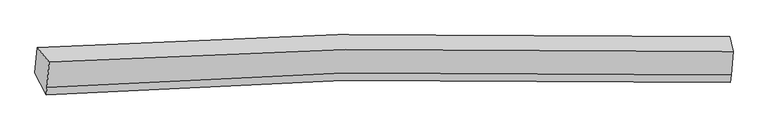
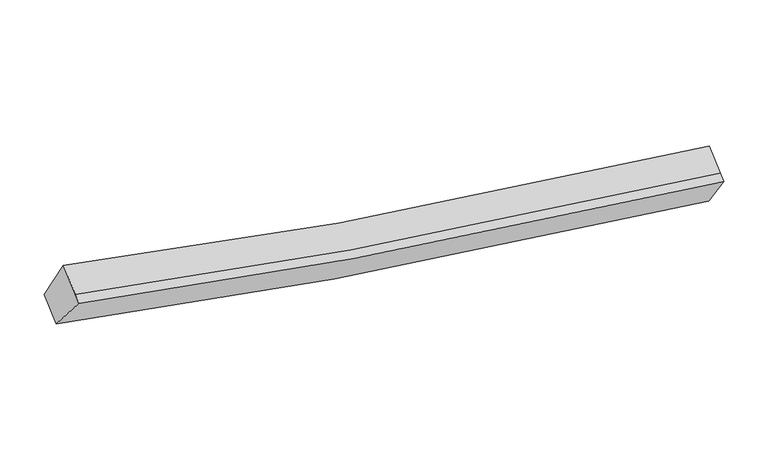
"""IFC4 building model written with IfcOpenShell, lengths in millimetres: proxy geometry."""

from ifc_helpers import new_model, si_unit, frame, origin, place, context, project, spatial, source, transform, mapped, element, save
from ifc_brep_helpers import plane_surface, spline_curve, spline_surface, advanced_brep


def generic_models_4c149153(model_context):
    return source(origin(), model_context, "Body", "AdvancedBrep", [
        advanced_brep(
        [(-5159.9195676, -1823.9417228, 3948.6899648), (-4959.3638535, -2068.8529694, 4567.2876846), (6501.0855568, -1892.4394116, 2670.6912339), (6445.0847602, -1642.5363957, 2024.7193726), (-4996.5395394, -2494.7005711, 4293.318867), (6466.8386618, -2284.7377037, 2418.3063458), (-5007.5225054, -2620.5104817, 4212.379131), (6455.8556958, -2410.5476143, 2337.3666099), (-5197.6031202, -2255.6069387, 3670.9783883), (6410.3299986, -2040.6523021, 1768.5917256)],
        [
            (0, 1),
            (1, 2, spline_curve(3, [(-4959.3638535, -2068.8529694, 4567.2876846), (-3313.756658287, -1965.017426224, 4144.306766276), (-1656.597826447, -1895.363765423, 3785.349843717), (2156.035839903, -1814.318613368, 3111.493456527), (4319.026811955, -1825.167754469, 2838.251562038), (6501.0855568, -1892.4394116, 2670.6912339)], [4, 2, 4], [0.0, 16.812420387431146, 38.4126553002438])),
            (2, 3),
            (3, 0, spline_curve(3, [(6445.0847602, -1642.5363957, 2024.7193726), (4235.293377989, -1574.577169971, 2194.974096761), (2044.928093855, -1563.953234572, 2472.280549002), (-1815.749300975, -1647.022107435, 3155.801740804), (-3493.7187927, -1718.114485595, 3519.818819477), (-5159.9195676, -1823.9417228, 3948.6899648)], [4, 2, 4], [0.0, 21.600234912812653, 38.4126553002438])),
            (1, 4),
            (4, 5, spline_curve(3, [(-4996.5395394, -2494.7005711, 4293.318867), (-3349.528789851, -2374.78731271, 3880.681538017), (-1691.393695251, -2293.950549418, 3528.919258137), (2122.4942546, -2198.537587011, 2864.306393245), (4285.485226225, -2209.386728568, 2591.064498473), (6466.8386618, -2284.7377037, 2418.3063458)], [4, 2, 4], [0.0, 16.706391865146816, 38.17040362055424])),
            (5, 2),
            (4, 6),
            (6, 7, spline_curve(3, [(-5007.5225054, -2620.5104817, 4212.379131), (-3360.511756198, -2500.5972235, 3799.741801714), (-1702.376661148, -2419.760459616, 3447.979522261), (2111.511288467, -2324.347497899, 2783.366657315), (4274.502260241, -2335.196639084, 2510.124763), (6455.8556958, -2410.5476143, 2337.3666099)], [4, 2, 4], [0.0, 16.706315107599128, 38.17022824656566])),
            (7, 5),
            (6, 8),
            (8, 9, spline_curve(3, [(-5197.6031202, -2255.6069387, 3670.9783883), (-3529.998791274, -2133.701986103, 3252.450831811), (-1851.05303609, -2051.426505312, 2895.628396324), (2010.878641351, -1953.989822823, 2221.350726821), (4201.243925291, -1964.613757951, 1944.044273944), (6410.3299986, -2040.6523021, 1768.5917256)], [4, 2, 4], [0.0, 16.812143158553592, 38.412021893686784])),
            (9, 7),
            (8, 0),
            (3, 9),
        ],
        [
            spline_surface(3, 3, [[(-5159.9195676, -1823.9417228, 3948.6899648), (-3493.718792538, -1718.114485319, 3519.818819247), (-1815.749300927, -1647.022107487, 3155.801740946), (2044.928093792, -1563.953234504, 2472.280548821), (4235.293378075, -1574.577169995, 2194.974096427), (6445.0847602, -1642.5363957, 2024.7193726)], [(-5093.06766289, -1905.578805005, 4154.889204738), (-3433.731414392, -1800.41546558, 3727.981468316), (-1762.698809494, -1729.802660177, 3365.65110858), (2081.964009252, -1647.40836072, 2685.351517995), (4263.20452274, -1658.107364809, 2409.399918313), (6463.751692386, -1725.837400987, 2240.043326369)], [(-5026.21575821, -1987.215887195, 4361.088444662), (-3373.744036277, -1882.716445824, 3936.14411737), (-1709.648318077, -1812.583212886, 3575.50047622), (2118.999924696, -1730.863486955, 2898.422487177), (4291.115667447, -1741.637559661, 2623.825740195), (6482.418624614, -1809.138406313, 2455.367280131)], [(-4959.3638535, -2068.8529694, 4567.2876846), (-3313.756658131, -1965.017426084, 4144.30676644), (-1656.597826644, -1895.363765576, 3785.349843854), (2156.035840156, -1814.318613171, 3111.493456351), (4319.026812111, -1825.167754475, 2838.251562082), (6501.0855568, -1892.4394116, 2670.6912339)]], [4, 4], [4, 2, 4], [0.0, 2.279805153903718], [0.0, 16.812420387431146, 38.4126553002438]),
            spline_surface(3, 3, [[(-4959.3638535, -2068.8529694, 4567.2876846), (-3313.756658131, -1965.017426084, 4144.30676644), (-1656.597826644, -1895.363765576, 3785.349843854), (2156.035840156, -1814.318613171, 3111.493456351), (4319.026812111, -1825.167754475, 2838.251562082), (6501.0855568, -1892.4394116, 2670.6912339)], [(-4971.755748813, -2210.802169945, 4475.964745394), (-3325.680702132, -2101.607388346, 4056.431690202), (-1668.19644943, -2028.226026784, 3699.872982016), (2144.855311523, -1942.391604506, 3029.097768621), (4307.846283479, -1953.24074581, 2755.855874352), (6489.66992513, -2023.205508983, 2586.562937892)], [(-4984.147644087, -2352.751370555, 4384.641806206), (-3337.604746093, -2238.197350673, 3968.556613982), (-1679.795072206, -2161.088288042, 3614.396120101), (2133.674782901, -2070.464595891, 2946.702080814), (4296.665754857, -2081.313737095, 2673.460186545), (6478.25429347, -2153.971606317, 2502.434641808)], [(-4996.5395394, -2494.7005711, 4293.318867), (-3349.528790094, -2374.787312934, 3880.681537744), (-1691.393694993, -2293.95054925, 3528.919258262), (2122.494254268, -2198.537587226, 2864.306393085), (4285.485226224, -2209.386728431, 2591.064498815), (6466.8386618, -2284.7377037, 2418.3063458)]], [4, 4], [4, 2, 4], [0.0, 1.5251956278680385], [0.0, 16.706391865146816, 38.17040362055424]),
            spline_surface(3, 3, [[(-4996.5395394, -2494.7005711, 4293.318867), (-3349.528790094, -2374.787312934, 3880.681537744), (-1691.393694993, -2293.95054925, 3528.919258262), (2122.494254268, -2198.537587226, 2864.306393085), (4285.485226224, -2209.386728431, 2591.064498815), (6466.8386618, -2284.7377037, 2418.3063458)], [(-5000.200528062, -2536.637207957, 4266.338955007), (-3353.189778756, -2416.723949791, 3853.701625751), (-1695.054683655, -2335.887186107, 3501.939346269), (2118.833265607, -2240.474224083, 2837.326481092), (4281.824237562, -2251.323365287, 2564.084586822), (6463.177673138, -2326.674340557, 2391.326433807)], [(-5003.861516738, -2578.573844843, 4239.359042993), (-3356.850767433, -2458.660586678, 3826.721713737), (-1698.715672331, -2377.823822893, 3474.959434355), (2115.17227693, -2282.410860869, 2810.346569178), (4278.163248885, -2293.260002174, 2537.104674908), (6459.516684462, -2368.610977443, 2364.346521893)], [(-5007.5225054, -2620.5104817, 4212.379131), (-3360.511756094, -2500.597223534, 3799.741801744), (-1702.376660993, -2419.76045975, 3447.979522362), (2111.511288268, -2324.347497726, 2783.366657185), (4274.502260224, -2335.196639031, 2510.124762915), (6455.8556958, -2410.5476143, 2337.3666099)]], [4, 4], [4, 2, 4], [0.0, 0.49212598425197046], [0.0, 16.706315107599128, 38.17022824656566]),
            spline_surface(3, 3, [[(-5007.5225054, -2620.5104817, 4212.379131), (-3360.511756094, -2500.597223534, 3799.741801744), (-1702.376660993, -2419.76045975, 3447.979522362), (2111.511288268, -2324.347497726, 2783.366657185), (4274.502260224, -2335.196639031, 2510.124762915), (6455.8556958, -2410.5476143, 2337.3666099)], [(-5070.882710336, -2498.875967391, 4031.912216755), (-3417.007434466, -2378.298811171, 3617.311478369), (-1751.935452652, -2296.982474957, 3263.862480422), (2077.967072582, -2200.894939407, 2596.028013704), (4250.082815333, -2211.669012114, 2321.431266722), (6440.680463388, -2287.24917691, 2147.774981825)], [(-5134.242915264, -2377.241453009, 3851.445302545), (-3473.503112829, -2256.000398733, 3434.881155027), (-1801.494244317, -2174.204490155, 3079.745438394), (2044.422856891, -2077.442381079, 2408.689370135), (4225.663370478, -2088.141385168, 2132.737770454), (6425.505231012, -2163.95073949, 1958.183353675)], [(-5197.6031202, -2255.6069387, 3670.9783883), (-3529.998791201, -2133.70198637, 3252.450831651), (-1851.053035976, -2051.426505361, 2895.628396454), (2010.878641205, -1953.98982276, 2221.350726654), (4201.243925588, -1964.613758251, 1944.04427426), (6410.3299986, -2040.6523021, 1768.5917256)]], [4, 4], [4, 2, 4], [0.0, 2.2309647848287675], [0.0, 16.812143158553592, 38.412021893686784]),
            spline_surface(3, 3, [[(-5197.6031202, -2255.6069387, 3670.9783883), (-3529.998791201, -2133.70198637, 3252.450831651), (-1851.053035976, -2051.426505361, 2895.628396454), (2010.878641205, -1953.98982276, 2221.350726654), (4201.243925588, -1964.613758251, 1944.04427426), (6410.3299986, -2040.6523021, 1768.5917256)], [(-5185.041935999, -2111.718533401, 3763.548913805), (-3517.905458312, -1995.172819354, 3341.573494188), (-1839.285124302, -1916.6250394, 2982.352844592), (2022.228458725, -1823.977626671, 2304.994000683), (4212.593743108, -1834.601562162, 2027.687548289), (6421.914919158, -1907.946999963, 1853.967607907)], [(-5172.480751801, -1967.830128099, 3856.119439295), (-3505.812125427, -1856.643652335, 3430.69615671), (-1827.517212601, -1781.823573449, 3069.077292808), (2033.578276272, -1693.965430593, 2388.637274791), (4223.943560555, -1704.589366084, 2111.330822397), (6433.499839642, -1775.241697837, 1939.343490293)], [(-5159.9195676, -1823.9417228, 3948.6899648), (-3493.718792538, -1718.114485319, 3519.818819247), (-1815.749300927, -1647.022107487, 3155.801740946), (2044.928093792, -1563.953234504, 2472.280548821), (4235.293378075, -1574.577169995, 2194.974096427), (6445.0847602, -1642.5363957, 2024.7193726)]], [4, 4], [4, 2, 4], [0.0, 1.5479521748749632], [0.0, 16.918047608142476, 38.653990094759195]),
            plane_surface(frame((6453.0890028, -1996.5439309, 2200.3422355), z_axis=(0.9950661394728588, -0.025117620510299782, -0.09598168166104401), x_axis=(-0.06694955475790529, 0.5439636943693655, -0.8364336532718837))),
            plane_surface(frame((-5081.1022617, -2192.2280282, 4099.8337922), z_axis=(-0.9573409357711125, -0.09253812583988516, 0.2737426308833399), x_axis=(-0.07321977323305276, -0.8387327371385477, -0.5395982398597872))),
        ],
        [
            (0, [[1, 2, 3, 4]]),
            (1, [[5, 6, 7, -2]]),
            (2, [[8, 9, 10, -6]]),
            (3, [[11, 12, 13, -9]]),
            (4, [[14, -4, 15, -12]]),
            (5, [[-13, -15, -3, -7, -10]]),
            (6, [[-14, -11, -8, -5, -1]]),
        ],
    ),
    ])


if __name__ == "__main__":
    model = new_model("IFC4")
    model_context = context("Model", 3, world=origin())
    ifc_project = project(units=[si_unit("LENGTHUNIT", "METRE", prefix="MILLI")], contexts=[model_context])
    site = spatial("IfcSite", under=ifc_project)
    building = spatial("IfcBuilding", under=site)
    placement = place(None, origin())
    generic_models_shape = generic_models_4c149153(model_context)
    element("IfcBuildingElementProxy", 1, Name="Generic Models", at=placement, inside=building, context=model_context, shape_type="MappedRepresentation", body=[
        mapped(generic_models_shape, transform((0.0, 0.0, 0.0), x_axis=(1.0, 0.0, 0.0), y_axis=(0.0, 1.0, 0.0), z_axis=(0.0, 0.0, 1.0))),
    ])
    save(model, "model.ifc")
